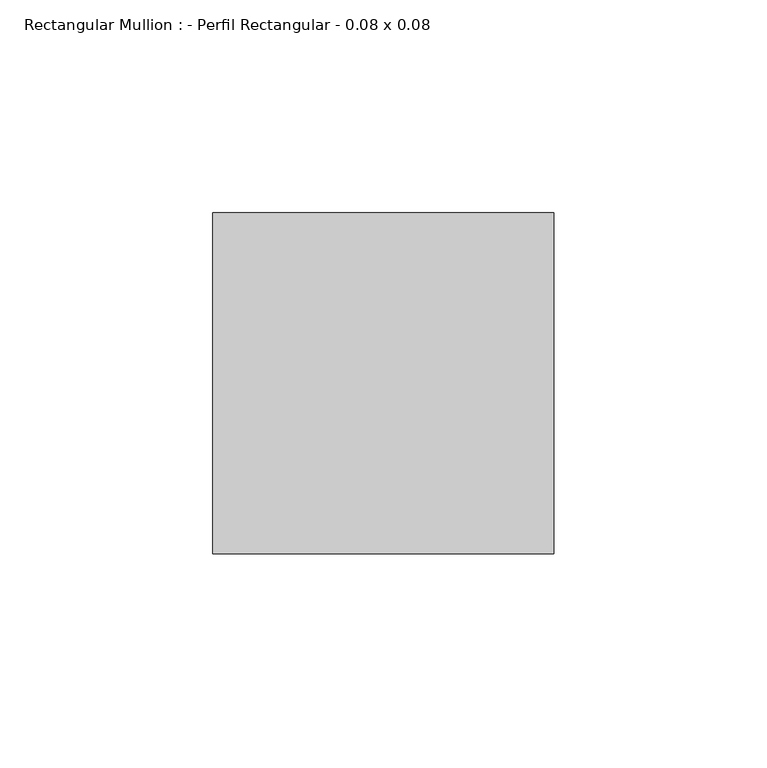
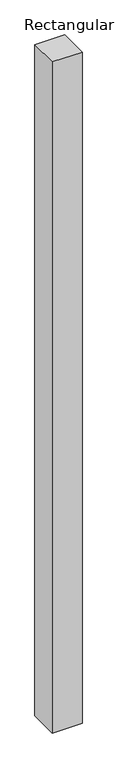
"""IFC4 building model written with IfcOpenShell, lengths in millimetres: member geometry, Rectangular Mullion : - Perfil Rectangular - 0.08 x 0.08."""

import ifcopenshell
import ifcopenshell.guid

model = None  # the IFC model being written
_history = None  # IfcOwnerHistory: only IFC2X3 demands one
_inside = {}  # id of a spatial element -> (the spatial element, [elements in it])
_under = {}  # id of a project, library or spatial element -> (it, [spatial elements below it])
_declared = {}  # id of a project -> (the project, [libraries it declares])
_typed = {}  # id of a type object -> (the type object, [elements of that type])
_made_of = {}  # id of a material, layer set ... -> (it, [elements and type objects made of it])


def new_model(schema):
    """Start an empty IFC model of exactly this schema.

    Asked for "IFC4X3", IfcOpenShell would pick the latest addendum, in which some entities
    have other attributes; the version numbers below select the first issue.
    IFC2X3 requires an IfcOwnerHistory on every rooted entity: one is made here for all.
    """
    global model, _history
    if schema == "IFC4X3":
        model = ifcopenshell.file(schema_version=(4, 3, 0, 0))
    else:
        model = ifcopenshell.file(schema=schema)
    _inside.clear()
    _under.clear()
    _declared.clear()
    _typed.clear()
    _made_of.clear()
    _history = None
    if model.schema == "IFC2X3":
        org = make("IfcOrganization", Name="unknown")
        user = make(
            "IfcPersonAndOrganization",
            ThePerson=make("IfcPerson", FamilyName="unknown"),
            TheOrganization=org,
        )
        app = make(
            "IfcApplication",
            ApplicationDeveloper=org,
            Version="unknown",
            ApplicationFullName="unknown",
            ApplicationIdentifier="unknown",
        )
        _history = make(
            "IfcOwnerHistory",
            OwningUser=user,
            OwningApplication=app,
            ChangeAction="ADDED",
            CreationDate=0,
        )
    return model


def make(cls, **values):
    """One entity of the class cls with the attributes given. An attribute that is None is left unset."""
    return model.create_entity(
        cls, **{name: value for name, value in values.items() if value is not None}
    )


def rooted(cls, **values):
    """An entity with a GlobalId (a new one), such as an element, a storey or a relation."""
    return make(cls, GlobalId=ifcopenshell.guid.new(), OwnerHistory=_history, **values)


def si_unit(unit_type, name, prefix=None):
    """IfcSIUnit, for example si_unit("LENGTHUNIT", "METRE", prefix="MILLI")."""
    return make("IfcSIUnit", UnitType=unit_type, Prefix=prefix, Name=name)


def assignment(units):
    """IfcUnitAssignment: the units of a project."""
    return None if units is None else make("IfcUnitAssignment", Units=units)


def point(xyz):
    """IfcCartesianPoint."""
    return None if xyz is None else make("IfcCartesianPoint", Coordinates=xyz)


def direction(xyz):
    """IfcDirection."""
    return None if xyz is None else make("IfcDirection", DirectionRatios=xyz)


def frame(location, z_axis=None, x_axis=None):
    """IfcAxis2Placement3D, a coordinate frame: its origin and axes. An axis left out is left unset."""
    return make(
        "IfcAxis2Placement3D",
        Location=point(location),
        Axis=direction(z_axis),
        RefDirection=direction(x_axis),
    )


def origin():
    """The frame at (0, 0, 0) with its axes left unset."""
    return frame((0.0, 0.0, 0.0))


def place(relative_to, where):
    """IfcLocalPlacement: puts the frame where relative to a parent placement (None: the world)."""
    return make(
        "IfcLocalPlacement", PlacementRelTo=relative_to, RelativePlacement=where
    )


def context(
    kind, dimensions, precision=None, world=None, true_north=None, identifier=None
):
    """IfcGeometricRepresentationContext, for example the 3D "Model" context."""
    return make(
        "IfcGeometricRepresentationContext",
        ContextIdentifier=identifier,
        ContextType=kind,
        CoordinateSpaceDimension=dimensions,
        Precision=precision,
        WorldCoordinateSystem=world,
        TrueNorth=true_north,
    )


def project(units=None, contexts=None):
    """IfcProject with its units and contexts."""
    return rooted(
        "IfcProject",
        Name="project",
        RepresentationContexts=contexts,
        UnitsInContext=assignment(units),
    )


def spatial(cls, under=None, at=None, **own):
    """A site, building, storey or space (cls), placed at a placement, below another one or the project."""
    s = rooted(cls, ObjectPlacement=at, **own)
    if under is not None:
        _under.setdefault(under.id(), (under, []))[1].append(s)
    return s


def polyline(points):
    """IfcPolyline through the points."""
    return make("IfcPolyline", Points=[point(p) for p in points])


def outline(outer, holes=None, kind="AREA"):
    """IfcArbitraryClosedProfileDef: a profile drawn as a closed curve; with holes, ...WithVoids."""
    if holes is None:
        return make("IfcArbitraryClosedProfileDef", ProfileType=kind, OuterCurve=outer)
    return make(
        "IfcArbitraryProfileDefWithVoids",
        ProfileType=kind,
        OuterCurve=outer,
        InnerCurves=holes,
    )


def extrude(swept, where, along, depth):
    """IfcExtrudedAreaSolid: the profile swept, set in the frame where, extruded along a direction by depth."""
    return make(
        "IfcExtrudedAreaSolid",
        SweptArea=swept,
        Position=where,
        ExtrudedDirection=direction(along),
        Depth=depth,
    )


def shape(context_of_items, identifier, shape_type, items):
    """IfcShapeRepresentation: the items that make up one representation, for example the "Body"."""
    return make(
        "IfcShapeRepresentation",
        ContextOfItems=context_of_items,
        RepresentationIdentifier=identifier,
        RepresentationType=shape_type,
        Items=items,
    )


def source(mapping_origin, context_of_items, identifier, shape_type, items):
    """IfcRepresentationMap: a shape defined once, which mapped items show again and again."""
    return make(
        "IfcRepresentationMap",
        MappingOrigin=mapping_origin,
        MappedRepresentation=shape(context_of_items, identifier, shape_type, items),
    )


def transform(
    local_origin,
    x_axis=None,
    y_axis=None,
    z_axis=None,
    scale=None,
    scale2=None,
    scale3=None,
    uniform=True,
):
    """IfcCartesianTransformationOperator3D, or its non-uniform kind. x_axis, y_axis, z_axis: its Axis1, 2, 3."""
    if uniform:
        return make(
            "IfcCartesianTransformationOperator3D",
            Axis1=direction(x_axis),
            Axis2=direction(y_axis),
            LocalOrigin=point(local_origin),
            Scale=scale,
            Axis3=direction(z_axis),
        )
    return make(
        "IfcCartesianTransformationOperator3DnonUniform",
        Axis1=direction(x_axis),
        Axis2=direction(y_axis),
        LocalOrigin=point(local_origin),
        Scale=scale,
        Axis3=direction(z_axis),
        Scale2=scale2,
        Scale3=scale3,
    )


def mapped(mapping_source, mapping_target):
    """IfcMappedItem: shows the shape of a source again, moved by a transform."""
    return make(
        "IfcMappedItem", MappingSource=mapping_source, MappingTarget=mapping_target
    )


def made_of(thing, what):
    """Note that an element or type object is made of a material, layer set ...; save() writes the relation."""
    if what is not None:
        _made_of.setdefault(what.id(), (what, []))[1].append(thing)
    return thing


def element(
    cls,
    number,
    at=None,
    inside=None,
    cuts=None,
    type_object=None,
    material=None,
    context=None,
    identifier="Body",
    shape_type=None,
    held_by="IfcProductDefinitionShape",
    body=None,
    shapes=None,
    **own,
):
    """One element of the class cls, such as IfcWall. Its Tag is "e" and its number.

    at: its placement. inside: the storey or other place that contains it. cuts: it is an
    opening in that element (IfcRelVoidsElement). A single representation is given by context,
    identifier, shape_type and body (its items); several are given by shapes. held_by: the class
    of the entity that holds the representations. save() writes the other relations.
    """
    e = rooted(cls, Tag="e%d" % number, ObjectPlacement=at, **own)
    if body is not None:
        shapes = [shape(context, identifier, shape_type, body)]
    if shapes is not None:
        e.Representation = make(held_by, Representations=shapes)
    if inside is not None:
        _inside.setdefault(inside.id(), (inside, []))[1].append(e)
    if cuts is not None:
        rooted(
            "IfcRelVoidsElement", RelatingBuildingElement=cuts, RelatedOpeningElement=e
        )
    if type_object is not None:
        _typed.setdefault(type_object.id(), (type_object, []))[1].append(e)
    return made_of(e, material)


def aggregate(whole, parts):
    """IfcRelAggregates: a whole, such as a stair, and the parts it consists of."""
    return rooted("IfcRelAggregates", RelatingObject=whole, RelatedObjects=parts)


def save(model, path):
    """Write the relations noted so far, then the file.

    IfcRelAggregates (storeys below a building ...), IfcRelContainedInSpatialStructure (elements
    in a storey), IfcRelDefinesByType, IfcRelAssociatesMaterial and IfcRelDeclares: one each for
    every whole, place, type object, material and project.
    """
    for whole, parts in _under.values():
        aggregate(whole, parts)
    for where, things in _inside.values():
        rooted(
            "IfcRelContainedInSpatialStructure",
            RelatedElements=things,
            RelatingStructure=where,
        )
    for kind, things in _typed.values():
        rooted("IfcRelDefinesByType", RelatedObjects=things, RelatingType=kind)
    for what, things in _made_of.values():
        rooted("IfcRelAssociatesMaterial", RelatedObjects=things, RelatingMaterial=what)
    for by, libraries in _declared.values():
        rooted("IfcRelDeclares", RelatingContext=by, RelatedDefinitions=libraries)
    model.write(path)


def rectangular_mullion_perfil_rectangular_0_08_x_0_08_1bb43ec4(model_context):
    return source(origin(), model_context, "Body", "SweptSolid", [
        extrude(outline(polyline([(0.0, 80.0), (0.0, 0.0), (-80.0, 0.0), (-80.0, 80.0), (0.0, 80.0)])), frame((0.0, 0.0, -1900.0000002), z_axis=(0.0, 0.0, 1.0), x_axis=(1.0, 0.0, 0.0)), (0.0, 0.0, 1.0), 1900.0000002),
    ])


if __name__ == "__main__":
    model = new_model("IFC4")
    model_context = context("Model", 3, world=origin())
    ifc_project = project(units=[si_unit("LENGTHUNIT", "METRE", prefix="MILLI")], contexts=[model_context])
    site = spatial("IfcSite", under=ifc_project)
    building = spatial("IfcBuilding", under=site)
    placement = place(None, origin())
    rectangular_mullion_perfil_rectangular_0_08_x_0_08_shape = rectangular_mullion_perfil_rectangular_0_08_x_0_08_1bb43ec4(model_context)
    element("IfcMember", 1, ObjectType="Rectangular Mullion : - Perfil Rectangular - 0.08 x 0.08", at=placement, inside=building, context=model_context, shape_type="MappedRepresentation", body=[
        mapped(rectangular_mullion_perfil_rectangular_0_08_x_0_08_shape, transform((0.0, 0.0, 0.0), x_axis=(1.0, 0.0, 0.0), y_axis=(0.0, 1.0, 0.0), z_axis=(0.0, 0.0, 1.0))),
    ])
    save(model, "model.ifc")
